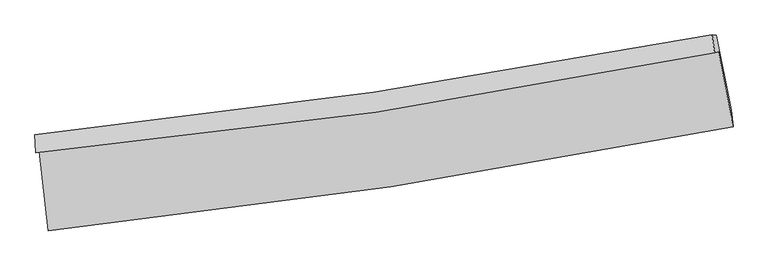
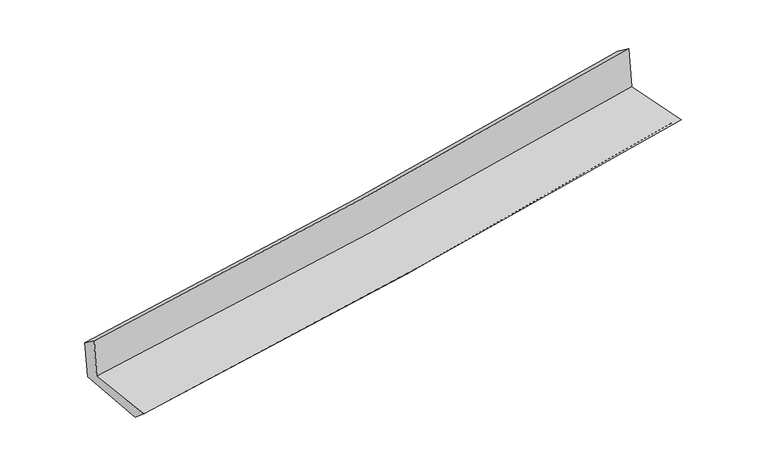
"""IFC4 building model written with IfcOpenShell, lengths in millimetres: proxy geometry."""

from ifc_helpers import new_model, si_unit, frame, origin, place, context, project, spatial, source, transform, mapped, element, save
from ifc_brep_helpers import plane_surface, spline_curve, spline_surface, advanced_brep


def generic_models_5cdadacf(model_context):
    return source(origin(), model_context, "Body", "AdvancedBrep", [
        advanced_brep(
        [(-2942.2896662, -1902.4066141, 1630.9318038), (-2868.4530046, -2586.8805514, 1624.3870639), (3017.9403864, -1693.9017618, 2124.6607682), (2893.6401341, -1047.2702044, 2126.3632456), (-2973.8550018, -1915.8639778, 2026.4307468), (2859.4759414, -1056.1156928, 2541.7056947), (-2980.9391798, -1762.6534806, 1914.7423911), (2839.5450475, -903.5867544, 2433.3645348), (-2949.8984619, -1764.0282661, 1544.5598934), (2873.9917021, -905.2583962, 2038.1371754), (-2873.2379154, -2449.5046432, 1505.4640294), (3000.2815749, -1548.3599799, 2005.5424449)],
        [
            (0, 1),
            (1, 2, spline_curve(3, [(-2868.4530046, -2586.8805514, 1624.3870639), (-1883.611795336, -2483.397643758, 1724.818423781), (-901.490219169, -2357.406629249, 1816.667150357), (1060.659524356, -2059.901081223, 1983.483792418), (2040.6690788, -1888.232498814, 2058.392967189), (3017.9403864, -1693.9017618, 2124.6607682)], [4, 2, 4], [0.0, 9.742604597587828, 19.518492132375243])),
            (2, 3),
            (3, 0, spline_curve(3, [(2893.6401341, -1047.2702044, 2126.3632456), (1925.319531694, -1241.585610215, 2060.836924151), (953.997351565, -1410.08224405, 1986.702755914), (-991.332985235, -1694.952208622, 1821.500429131), (-1965.320738656, -1811.501044295, 1730.490783587), (-2942.2896662, -1902.4066141, 1630.9318038)], [4, 2, 4], [0.0, 9.775887534787415, 19.518492132375243])),
            (4, 0),
            (3, 5),
            (5, 4, spline_curve(3, [(2859.4759414, -1056.1156928, 2541.7056947), (1891.672744596, -1253.072064656, 2476.059619319), (920.82613694, -1423.272564523, 2400.206406147), (-1023.638198915, -1709.67345082, 2228.378706285), (-1997.235239042, -1826.055712183, 2132.473603117), (-2973.8550018, -1915.8639778, 2026.4307468)], [4, 2, 4], [0.0, 9.73064849716925, 19.428168077737315])),
            (6, 4),
            (5, 7),
            (7, 6, spline_curve(3, [(2839.5450475, -903.5867544, 2433.3645348), (1873.300828658, -1089.729798744, 2355.473228464), (904.30659461, -1254.475863873, 2273.227955357), (-1035.87350826, -1540.685991353, 2100.324310777), (-2007.040683115, -1662.295501332, 2009.695536207), (-2980.9391798, -1762.6534806, 1914.7423911)], [4, 2, 4], [0.0, 9.71940017044139, 19.405709720277812])),
            (8, 6),
            (7, 9),
            (9, 8, spline_curve(3, [(2873.9917021, -905.2583962, 2038.1371754), (1907.859443258, -1091.262865811, 1956.030804535), (938.636296985, -1255.914939294, 1873.775788776), (-1002.68143495, -1542.026417548, 1709.249017711), (-1974.755010065, -1663.630967393, 1626.978272879), (-2949.8984619, -1764.0282661, 1544.5598934)], [4, 2, 4], [0.0, 9.709126329544459, 19.38519701675065])),
            (10, 8),
            (9, 11),
            (11, 10, spline_curve(3, [(3000.2815749, -1548.3599799, 2005.5424449), (2026.134837444, -1740.072974413, 1922.472631135), (1048.761391095, -1911.117729272, 1839.193104893), (-909.100372573, -2211.358789404, 1672.498873947), (-1889.566756541, -2340.695588853, 1589.085595231), (-2873.2379154, -2449.5046432, 1505.4640294)], [4, 2, 4], [0.0, 9.755731274785866, 19.478248236272883])),
            (1, 10),
            (11, 2),
        ],
        [
            spline_surface(3, 3, [[(-2942.2896662, -1902.4066141, 1630.9318038), (-1965.320738761, -1811.50104435, 1730.490783438), (-991.332985317, -1694.95220846, 1821.500429218), (953.997351648, -1410.082244212, 1986.702755827), (1925.319531611, -1241.585610192, 2060.836924001), (2893.6401341, -1047.2702044, 2126.3632456)], [(-2917.677445651, -2130.564593194, 1628.750223805), (-1938.084424287, -2035.46657745, 1728.599996882), (-961.38539668, -1915.770348742, 1819.889336273), (989.55140924, -1626.688523143, 1985.629768031), (1963.769380667, -1457.134573063, 2060.022271772), (2935.073551531, -1262.814056859, 2125.795753143)], [(-2893.065225149, -2358.722572306, 1626.568643895), (-1910.84810986, -2259.432110566, 1726.709210411), (-931.437807959, -2136.588489104, 1818.278243306), (1025.105466916, -1843.294802155, 1984.556780211), (2002.219229732, -1672.683535957, 2059.207619514), (2976.506968969, -1478.357909341, 2125.228260657)], [(-2868.4530046, -2586.8805514, 1624.3870639), (-1883.611795386, -2483.397643665, 1724.818423854), (-901.490219322, -2357.406629385, 1816.667150361), (1060.659524509, -2059.901081086, 1983.483792415), (2040.669078788, -1888.232498828, 2058.392967285), (3017.9403864, -1693.9017618, 2124.6607682)]], [4, 4], [4, 2, 4], [0.0, 2.1766645929142325], [0.0, 9.742604597587828, 19.518492132375243]),
            spline_surface(3, 3, [[(-2973.8550018, -1915.8639778, 2026.4307468), (-1997.235238918, -1826.055712211, 2132.473603205), (-1023.638198791, -1709.67345067, 2228.37870622), (920.826136816, -1423.272564675, 2400.206406213), (1891.672744443, -1253.072064558, 2476.059619157), (2859.4759414, -1056.1156928, 2541.7056947)], [(-2963.333223299, -1911.378189893, 1894.59776582), (-1986.597072231, -1821.20415625, 1998.479329969), (-1012.86979429, -1704.766369951, 2092.752613874), (931.883208436, -1418.875791205, 2262.371856072), (1902.888340157, -1249.243246439, 2337.652054112), (2870.864005625, -1053.16719667, 2403.258211673)], [(-2952.811444701, -1906.892402007, 1762.76478478), (-1975.958905448, -1816.35260031, 1864.485056674), (-1002.101389818, -1699.859289179, 1957.126521564), (942.940280028, -1414.479017682, 2124.537305968), (1914.103935897, -1245.414428311, 2199.244489047), (2882.252069875, -1050.21870053, 2264.810728627)], [(-2942.2896662, -1902.4066141, 1630.9318038), (-1965.320738761, -1811.50104435, 1730.490783438), (-991.332985317, -1694.95220846, 1821.500429218), (953.997351648, -1410.082244212, 1986.702755827), (1925.319531611, -1241.585610192, 2060.836924001), (2893.6401341, -1047.2702044, 2126.3632456)]], [4, 4], [4, 2, 4], [0.0, 1.3508635137481373], [0.0, 9.697519580568065, 19.428168077737315]),
            spline_surface(3, 3, [[(-2980.9391798, -1762.6534806, 1914.7423911), (-2007.040683185, -1662.295501358, 2009.69553614), (-1035.873508113, -1540.685991261, 2100.324310849), (904.306594463, -1254.475863965, 2273.227955285), (1873.300828537, -1089.729798602, 2355.473228441), (2839.5450475, -903.5867544, 2433.3645348)], [(-2978.577787128, -1813.723646356, 1951.971843008), (-2003.772201757, -1716.882238332, 2050.621558503), (-1031.795071678, -1597.015144392, 2143.009109294), (909.813108575, -1310.741430863, 2315.554105582), (1879.424800523, -1144.177220576, 2395.668692006), (2846.188678818, -954.429733855, 2469.47825476)], [(-2976.216394472, -1864.793812044, 1989.201294892), (-2000.503720346, -1771.468975237, 2091.547580842), (-1027.716635226, -1653.344297539, 2185.693907775), (915.319622704, -1367.006997777, 2357.880255916), (1885.548772456, -1198.624642584, 2435.864155592), (2852.832310082, -1005.272713345, 2505.59197474)], [(-2973.8550018, -1915.8639778, 2026.4307468), (-1997.235238918, -1826.055712211, 2132.473603205), (-1023.638198791, -1709.67345067, 2228.37870622), (920.826136816, -1423.272564675, 2400.206406213), (1891.672744443, -1253.072064558, 2476.059619157), (2859.4759414, -1056.1156928, 2541.7056947)]], [4, 4], [4, 2, 4], [0.0, 0.6959038587069444], [0.0, 9.686309549836423, 19.405709720277812]),
            spline_surface(3, 3, [[(-2949.8984619, -1764.0282661, 1544.5598934), (-1974.755010005, -1663.63096727, 1626.978272934), (-1002.681434966, -1542.026417558, 1709.249017689), (938.636297002, -1255.914939285, 1873.775788798), (1907.85944325, -1091.262865675, 1956.030804686), (2873.9917021, -905.2583962, 2038.1371754)], [(-2960.245367845, -1763.570004259, 1667.954059289), (-1985.516901043, -1663.185811959, 1754.550693992), (-1013.745459343, -1541.579608778, 1839.607448756), (927.193062828, -1255.435247497, 2006.926510973), (1896.339904988, -1090.75184333, 2089.178279267), (2862.509483876, -904.701182279, 2169.87962853)], [(-2970.592273855, -1763.111742441, 1791.348225211), (-1996.278792147, -1662.740656669, 1882.123115082), (-1024.809483736, -1541.132800041, 1969.965879782), (915.749828637, -1254.955555753, 2140.077233109), (1884.820366798, -1090.240820948, 2222.32575386), (2851.027265724, -904.143968321, 2301.62208167)], [(-2980.9391798, -1762.6534806, 1914.7423911), (-2007.040683185, -1662.295501358, 2009.69553614), (-1035.873508113, -1540.685991261, 2100.324310849), (904.306594463, -1254.475863965, 2273.227955285), (1873.300828537, -1089.729798602, 2355.473228441), (2839.5450475, -903.5867544, 2433.3645348)]], [4, 4], [4, 2, 4], [0.0, 1.3015738990296837], [0.0, 9.67607068720619, 19.38519701675065]),
            spline_surface(3, 3, [[(-2873.2379154, -2449.5046432, 1505.4640294), (-1889.566756585, -2340.695588762, 1589.085595198), (-909.100372731, -2211.358789355, 1672.498874065), (1048.761391254, -1911.117729322, 1839.193104775), (2026.134837474, -1740.072974286, 1922.472631071), (3000.2815749, -1548.3599799, 2005.5424449)], [(-2898.791430914, -2221.012517482, 1518.49598405), (-1917.962841073, -2115.00738158, 1601.71648776), (-940.294060133, -1988.247998774, 1684.748921946), (1012.053026513, -1692.716799327, 1850.720666122), (1986.709706062, -1523.802938071, 1933.658688936), (2958.18495063, -1333.992785322, 2016.40735506)], [(-2924.344946386, -1992.520391818, 1531.52793875), (-1946.358925517, -1889.319174452, 1614.347380372), (-971.487747565, -1765.137208139, 1696.998969809), (975.344661743, -1474.315869279, 1862.248227451), (1947.284574662, -1307.532901891, 1944.844746821), (2916.08832637, -1119.625590778, 2027.27226524)], [(-2949.8984619, -1764.0282661, 1544.5598934), (-1974.755010005, -1663.63096727, 1626.978272934), (-1002.681434966, -1542.026417558, 1709.249017689), (938.636297002, -1255.914939285, 1873.775788798), (1907.85944325, -1091.262865675, 1956.030804686), (2873.9917021, -905.2583962, 2038.1371754)]], [4, 4], [4, 2, 4], [0.0, 2.2013875119321327], [0.0, 9.722516961487017, 19.478248236272883]),
            spline_surface(3, 3, [[(-2868.4530046, -2586.8805514, 1624.3870639), (-1883.611795386, -2483.397643665, 1724.818423854), (-901.490219322, -2357.406629385, 1816.667150361), (1060.659524509, -2059.901081086, 1983.483792415), (2040.669078788, -1888.232498828, 2058.392967285), (3017.9403864, -1693.9017618, 2124.6607682)], [(-2870.047974863, -2541.088582014, 1584.746052428), (-1885.596782449, -2435.830292045, 1679.574147663), (-904.026937116, -2308.724016053, 1768.61105826), (1056.693480099, -2010.306630509, 1935.386896532), (2035.824331704, -1838.845990663, 2013.086188548), (3012.054115921, -1645.387834516, 2084.954660435)], [(-2871.642945137, -2495.296612586, 1545.105040872), (-1887.581769522, -2388.262940382, 1634.329871389), (-906.563654936, -2260.041402687, 1720.554966166), (1052.727435664, -1960.712179899, 1887.290000657), (2030.979584558, -1789.459482451, 1967.779409807), (3006.167845379, -1596.873907184, 2045.248552665)], [(-2873.2379154, -2449.5046432, 1505.4640294), (-1889.566756585, -2340.695588762, 1589.085595198), (-909.100372731, -2211.358789355, 1672.498874065), (1048.761391254, -1911.117729322, 1839.193104775), (2026.134837474, -1740.072974286, 1922.472631071), (3000.2815749, -1548.3599799, 2005.5424449)]], [4, 4], [4, 2, 4], [0.0, 0.6773976811664418], [0.0, 9.777835553908604, 19.589074401918786]),
            plane_surface(frame((2914.1457977, -1192.4154649, 2211.6289773), z_axis=(0.978550705476127, 0.18788172600467537, 0.08449244845356747), x_axis=(-0.08682662513850313, 0.0042135590270140745, 0.9962145266394101))),
            plane_surface(frame((-2931.4455383, -2063.5562555, 1707.7526547), z_axis=(-0.9909105003665091, -0.10610235673312739, -0.0826962523883089), x_axis=(-0.10724652334201926, 0.9941870129906957, 0.009506126008423297))),
        ],
        [
            (0, [[1, 2, 3, 4]]),
            (1, [[5, -4, 6, 7]]),
            (2, [[8, -7, 9, 10]]),
            (3, [[11, -10, 12, 13]]),
            (4, [[14, -13, 15, 16]]),
            (5, [[17, -16, 18, -2]]),
            (6, [[-12, -9, -6, -3, -18, -15]]),
            (7, [[-1, -5, -8, -11, -14, -17]]),
        ],
    ),
    ])


if __name__ == "__main__":
    model = new_model("IFC4")
    model_context = context("Model", 3, world=origin())
    ifc_project = project(units=[si_unit("LENGTHUNIT", "METRE", prefix="MILLI")], contexts=[model_context])
    site = spatial("IfcSite", under=ifc_project)
    building = spatial("IfcBuilding", under=site)
    placement = place(None, origin())
    generic_models_shape = generic_models_5cdadacf(model_context)
    element("IfcBuildingElementProxy", 1, Name="Generic Models", at=placement, inside=building, context=model_context, shape_type="MappedRepresentation", body=[
        mapped(generic_models_shape, transform((0.0, 0.0, 0.0), x_axis=(1.0, 0.0, 0.0), y_axis=(0.0, 1.0, 0.0), z_axis=(0.0, 0.0, 1.0))),
    ])
    save(model, "model.ifc")
